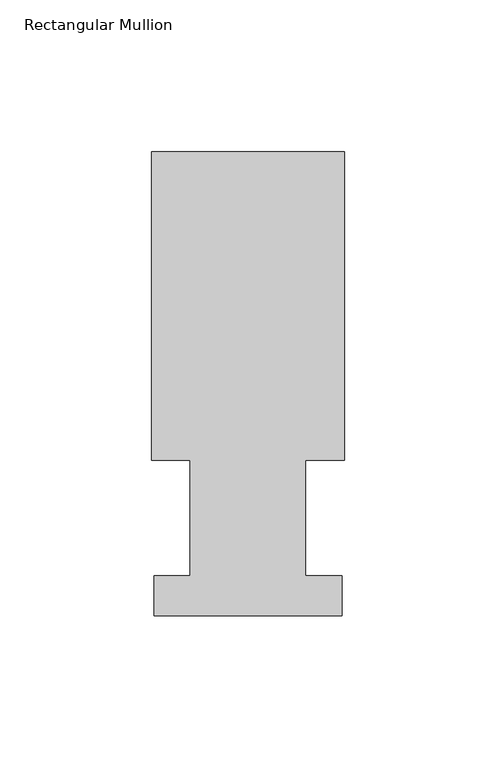
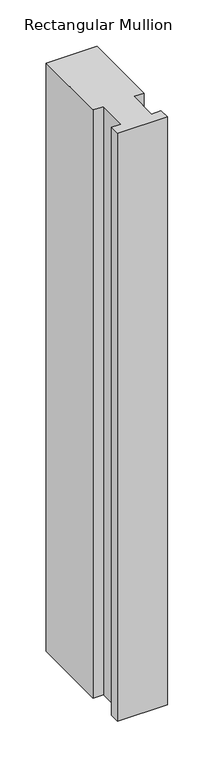
"""IFC4 building model written with IfcOpenShell, lengths in millimetres: member geometry, Rectangular Mullion."""

from ifc_helpers import new_model, si_unit, frame, origin, place, context, project, spatial, polyline, outline, extrude, source, transform, mapped, element, save


def rectangular_mullion_071422be(model_context):
    return source(origin(), model_context, "Body", "SweptSolid", [
        extrude(outline(polyline([(-31.7500003, 152.8960938), (31.7499997, 152.8960938), (31.7499997, 51.2960938), (19.0499991, 51.2960938), (19.0499991, 13.1960938), (30.9626022, 13.1960938), (30.9626022, 0.0084138), (-30.9625988, 0.0084138), (-30.9625988, 13.1960937), (-19.0499997, 13.1960937), (-19.0499997, 51.2960938), (-31.7500003, 51.2960938), (-31.7500003, 152.8960938)])), frame((0.0, 0.0, -774.6849795), z_axis=(0.0, 0.0, 1.0), x_axis=(1.0, 0.0, 0.0)), (0.0, 0.0, 1.0), 774.6849795),
    ])


if __name__ == "__main__":
    model = new_model("IFC4")
    model_context = context("Model", 3, world=origin())
    ifc_project = project(units=[si_unit("LENGTHUNIT", "METRE", prefix="MILLI")], contexts=[model_context])
    site = spatial("IfcSite", under=ifc_project)
    building = spatial("IfcBuilding", under=site)
    placement = place(None, origin())
    rectangular_mullion_shape = rectangular_mullion_071422be(model_context)
    element("IfcMember", 1, ObjectType="Rectangular Mullion", at=placement, inside=building, context=model_context, shape_type="MappedRepresentation", body=[
        mapped(rectangular_mullion_shape, transform((0.0, 0.0, 0.0), x_axis=(1.0, 0.0, 0.0), y_axis=(0.0, 1.0, 0.0), z_axis=(0.0, 0.0, 1.0))),
    ])
    save(model, "model.ifc")
